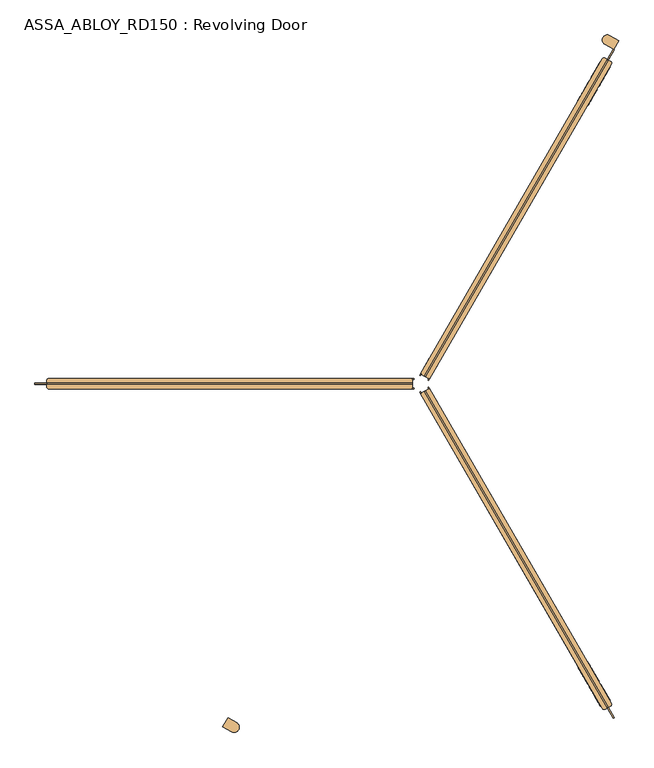
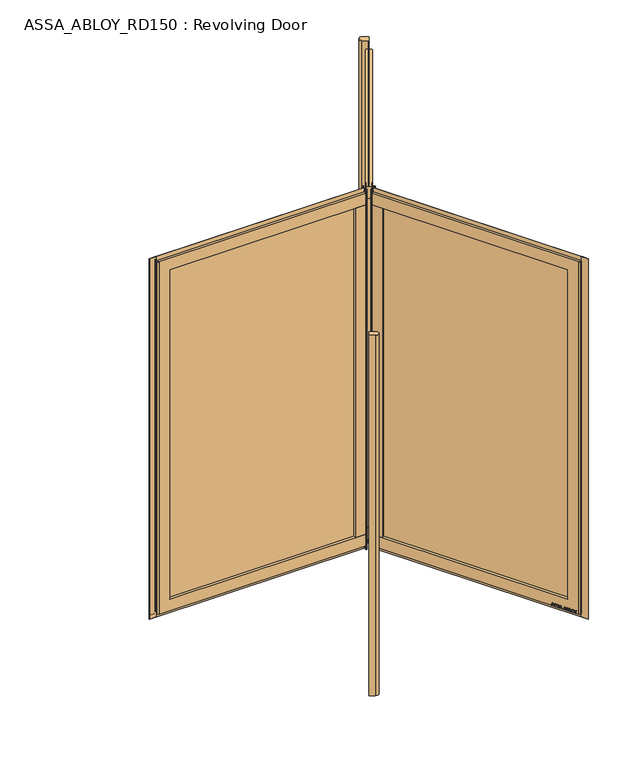
"""IFC4 building model written with IfcOpenShell, lengths in millimetres: door geometry, ASSA_ABLOY_RD150 : Revolving Door."""

from ifc_helpers import new_model, si_unit, point, frame, frame_2d, origin, origin_with_axes, origin_2d, place, context, project, spatial, polyline, circle_curve, trimmed, segment, composite_curve, outline, extrude, source, transform, mapped, element, save
from ifc_brep_helpers import plane_surface, cylinder_surface, advanced_brep


def assa_abloy_rd150_revolving_door_e0ed7804(model_context):
    return source(origin(), model_context, "Body", "SolidModel", [
        extrude(outline(composite_curve([segment(trimmed(circle_curve(origin_2d(), 1500.0), [point((-750.0, -1299.0381057))], [point((-715.0922698, -1318.5761433))], True, "CARTESIAN"), True, "CONTINUOUS"), segment(trimmed(circle_curve(frame_2d((-725.5459259, -1335.642735)), 20.0136823), [point((-715.0922698, -1318.5761433))], [point((-735.0991998, -1353.2291626))], False, "CARTESIAN"), True, "CONTINUOUS"), segment(trimmed(circle_curve(origin_2d(), 1540.0), [point((-735.0991998, -1353.2291626))], [point((-770.0, -1333.6791218))], False, "CARTESIAN"), True, "CONTINUOUS"), segment(polyline([(-770.0, -1333.6791218), (-750.0, -1299.0381057)]), True, "CONTINUOUS")], self_intersect=False)), origin_with_axes(), (0.0, 0.0, 1.0), 2600.0),
        extrude(outline(composite_curve([segment(trimmed(circle_curve(origin_2d(), 1500.0), [point((750.0, 1299.0381057))], [point((715.0922698, 1318.5761433))], True, "CARTESIAN"), True, "CONTINUOUS"), segment(trimmed(circle_curve(frame_2d((725.5459259, 1335.642735)), 20.0136823), [point((715.0922698, 1318.5761433))], [point((735.0991998, 1353.2291626))], False, "CARTESIAN"), True, "CONTINUOUS"), segment(trimmed(circle_curve(origin_2d(), 1540.0), [point((735.0991998, 1353.2291626))], [point((770.0, 1333.6791218))], False, "CARTESIAN"), True, "CONTINUOUS"), segment(polyline([(770.0, 1333.6791218), (750.0, 1299.0381057)]), True, "CONTINUOUS")], self_intersect=False)), origin_with_axes(), (0.0, 0.0, 1.0), 2600.0),
        advanced_brep(
        [(-0.8205081, -38.5788383, 28.0), (33.8205081, -18.5788383, 28.0), (740.3205081, -1242.2727339, 28.0), (737.3923048, -1253.2009371, 28.0), (716.6076952, -1265.2009371, 28.0), (705.6794919, -1262.2727339, 28.0), (-0.8205081, -38.5788383, 110.0), (668.6794919, -1198.186854, 110.0), (703.3205081, -1178.186854, 110.0), (33.8205081, -18.5788383, 110.0), (33.8205081, -18.5788383, 2489.0), (-0.8205081, -38.5788383, 2489.0), (-0.8205081, -38.5788383, 2571.0), (33.8205081, -18.5788383, 2571.0), (703.3205081, -1178.186854, 2489.0), (668.6794919, -1198.186854, 2489.0), (737.3923048, -1253.2009371, 2571.0), (716.6076952, -1265.2009371, 2571.0), (705.6794919, -1262.2727339, 2571.0), (740.3205081, -1242.2727339, 2571.0)],
        [
            (0, 1),
            (1, 2),
            (2, 3, circle_curve(frame((733.3923048, -1246.2727339, 28.0), z_axis=(0.0, 0.0, -1.0), x_axis=(-0.8660254037844367, -0.5000000000000033, 0.0)), 8.0)),
            (3, 4),
            (4, 5, circle_curve(frame((712.6076952, -1258.2727339, 28.0), z_axis=(0.0, 0.0, -1.0), x_axis=(-0.8660254037844367, -0.5000000000000033, 0.0)), 8.0)),
            (5, 0),
            (6, 7),
            (7, 8),
            (8, 9),
            (9, 6),
            (10, 11),
            (11, 12),
            (12, 13),
            (13, 10),
            (10, 14),
            (14, 15),
            (15, 11),
            (7, 15),
            (14, 8),
            (16, 17),
            (17, 4),
            (3, 16),
            (17, 18, circle_curve(frame((712.6076952, -1258.2727339, 2571.0), z_axis=(0.0, 0.0, -1.0), x_axis=(-0.8660254037844367, -0.5000000000000033, 0.0)), 8.0)),
            (18, 5),
            (19, 16, circle_curve(frame((733.3923048, -1246.2727339, 2571.0), z_axis=(0.0, 0.0, -1.0), x_axis=(-0.8660254037844367, -0.5000000000000033, 0.0)), 8.0)),
            (2, 19),
            (6, 0),
            (18, 12),
            (1, 9),
            (13, 19),
        ],
        [
            plane_surface(frame((668.6794919, -1198.186854, 28.0), z_axis=(0.0, 0.0, -1.0), x_axis=(-0.5000000000000033, 0.8660254037844367, 0.0))),
            plane_surface(frame((703.3205081, -1178.186854, 110.0), z_axis=(0.0, 0.0, 1.0), x_axis=(-0.5000000000000033, 0.8660254037844367, 0.0))),
            plane_surface(frame((16.5, -28.5788383, 2571.0), z_axis=(-0.5000000000000033, 0.8660254037844367, 0.0), x_axis=(-0.8660254037844367, -0.5000000000000033, 0.0))),
            plane_surface(frame((33.8205081, -18.5788383, 2489.0), z_axis=(0.0, 0.0, -1.0), x_axis=(0.5000000000000033, -0.8660254037844367, 0.0))),
            plane_surface(frame((703.3205081, -1178.186854, 2571.0), z_axis=(-0.5000000000000033, 0.8660254037844367, 0.0), x_axis=(0.0, 0.0, -1.0))),
            plane_surface(frame((716.6076952, -1265.2009371, 2571.0), z_axis=(0.5000000000000033, -0.8660254037844367, 0.0), x_axis=(0.0, 0.0, -1.0))),
            cylinder_surface(frame((712.6076952, -1258.2727339, 2571.0), z_axis=(0.0, 0.0, 1.0), x_axis=(-0.8660254037844367, -0.5000000000000033, 0.0)), 8.0),
            cylinder_surface(frame((733.3923048, -1246.2727339, 2571.0), z_axis=(0.0, 0.0, 1.0), x_axis=(-0.8660254037844367, -0.5000000000000033, 0.0)), 8.0),
            plane_surface(frame((668.6794919, -1198.186854, 110.0), z_axis=(-0.8660254037844367, -0.5000000000000033, 0.0), x_axis=(-0.5000000000000033, 0.8660254037844367, 0.0))),
            plane_surface(frame((703.3205081, -1178.186854, 28.0), z_axis=(0.8660254037844367, 0.5000000000000033, 0.0), x_axis=(-0.5000000000000033, 0.8660254037844367, 0.0))),
            plane_surface(frame((16.5, -28.5788383, 28.0), z_axis=(-0.5000000000000033, 0.8660254037844367, 0.0), x_axis=(-0.8660254037844367, -0.5000000000000033, 0.0))),
            plane_surface(frame((727.0, -1259.2009371, 2571.0), z_axis=(0.0, 0.0, 1.0), x_axis=(-0.8660254037844367, -0.5000000000000033, 0.0))),
        ],
        [
            (0, [[1, 2, 3, 4, 5, 6]]),
            (1, [[7, 8, 9, 10]]),
            (2, [[11, 12, 13, 14]]),
            (3, [[-11, 15, 16, 17]]),
            (4, [[-8, 18, -16, 19]]),
            (5, [[20, 21, -4, 22]]),
            (6, [[23, 24, -5, -21]]),
            (7, [[25, -22, -3, 26]]),
            (8, [[-7, 27, -6, -24, 28, -12, -17, -18]]),
            (9, [[29, -9, -19, -15, -14, 30, -26, -2]]),
            (10, [[-27, -10, -29, -1]]),
            (11, [[-28, -23, -20, -25, -30, -13]]),
        ],
    ),
        extrude(outline(polyline([(31.2224319, -20.0788383), (27.7224319, -14.0166605), (30.3205081, -12.5166605), (33.8205081, -18.5788383), (31.2224319, -20.0788383)])), origin_with_axes(), (0.0, 0.0, 1.0), 2600.0),
        extrude(outline(polyline([(68.8205081, -79.2006166), (34.1794919, -99.2006166), (-0.8205081, -38.5788383), (33.8205081, -18.5788383), (68.8205081, -79.2006166)])), frame((0.0, 0.0, 110.0), z_axis=(0.0, 0.0, 1.0), x_axis=(1.0, 0.0, 0.0)), (0.0, 0.0, 1.0), 2379.0),
        extrude(outline(polyline([(748.4844586, -1299.9131039), (725.4844586, -1260.0759354), (728.5155414, -1258.3259389), (751.5155414, -1298.1631074), (748.4844586, -1299.9131039)])), origin_with_axes(), (0.0, 0.0, 1.0), 2600.0),
        extrude(outline(polyline([(748.4844586, -1299.9131039), (14.9844586, -29.4538366), (18.0155414, -27.7038401), (751.5155414, -1298.1631074), (748.4844586, -1299.9131039)])), frame((0.0, 0.0, 2570.0), z_axis=(0.0, 0.0, 1.0), x_axis=(1.0, 0.0, 0.0)), (0.0, 0.0, 1.0), 30.0),
        extrude(outline(polyline([(-1.7224319, -31.0166605), (1.7775681, -37.0788383), (-0.8205081, -38.5788383), (-4.3205081, -32.5166605), (-1.7224319, -31.0166605)])), origin_with_axes(), (0.0, 0.0, 1.0), 2600.0),
        extrude(outline(polyline([(684.4844586, -1189.0618522), (49.9844586, -90.0756148), (53.0155414, -88.3256183), (687.5155414, -1187.3118557), (684.4844586, -1189.0618522)])), frame((0.0, 0.0, 110.0), z_axis=(0.0, 0.0, 1.0), x_axis=(1.0, 0.0, 0.0)), (0.0, 0.0, 1.0), 2379.0),
        extrude(outline(polyline([(748.4844586, -1299.9131039), (14.9844586, -29.4538366), (18.0155414, -27.7038401), (751.5155414, -1298.1631074), (748.4844586, -1299.9131039)])), frame((0.0, 0.0, -2.0), z_axis=(0.0, 0.0, 1.0), x_axis=(1.0, 0.0, 0.0)), (0.0, 0.0, 1.0), 30.0),
        extrude(outline(polyline([(21.1919363, 1e-07), (20.214336, -2.6529929), (14.2348715, -2.5853724), (11.2716326, -10.6269535), (15.8652682, -14.4554101), (14.8894584, -17.1035441), (-1.2354289, -3.3526833), (0.0, 0.0), (21.1919363, 1e-07)]), holes=[polyline([(11.7626281, -2.5849674), (1.6611384, -2.5160752), (9.3848751, -9.0376681), (11.7626281, -2.5849674)])]), frame((728.7045871, -1222.1533686, 47.8848654), z_axis=(0.8660254037844431, 0.499999999999992, 0.0), x_axis=(-0.17288098849125136, 0.299438655729584, -0.9383222555567717)), (0.0, 0.0, 1.0), 2.0),
        extrude(outline(polyline([(3.5121291, 0.0), (5.4926863, -1.2764387), (6.787432, -3.3659463), (7.2092232, -6.1919011), (6.5093631, -9.6341389), (4.8247981, -13.2083905), (2.5145629, -16.157079), (-0.6567352, -15.0446471), (2.4447823, -12.1320668), (4.3562346, -8.76362), (4.8029446, -4.752408), (2.9863484, -2.6252693), (0.9295188, -2.6144293), (-0.6628891, -4.2207408), (-1.8238571, -6.2006452), (-3.0893834, -8.4786223), (-6.2388815, -11.6844271), (-9.9996043, -11.7673438), (-13.1300796, -8.3561656), (-12.7977466, -2.5981571), (-11.0920114, 1.0208017), (-9.0699595, 3.711135), (-6.0403681, 2.6484111), (-8.71119, 0.0484617), (-10.6514742, -3.4882217), (-11.0208469, -7.16163), (-9.3614355, -9.1814982), (-7.3063201, -9.1972245), (-5.5118807, -7.3434952), (-4.250422, -5.1162244), (-2.8187321, -2.6852579), (0.0, 0.0), (3.5121291, 0.0)])), frame((716.8396918, -1201.6027671, 36.999973), z_axis=(0.8660254037844434, 0.49999999999999223, 0.0), x_axis=(-0.1655035508100835, 0.2866605588361279, -0.9436282629706536)), (0.0, 0.0, 1.0), 2.0),
        extrude(outline(polyline([(3.5121291, 0.0), (5.4926863, -1.2764387), (6.787432, -3.3659463), (7.2092232, -6.1919011), (6.5093631, -9.6341389), (4.8247981, -13.2083905), (2.5145629, -16.157079), (-0.6567352, -15.0446471), (2.4447823, -12.1320668), (4.3562346, -8.76362), (4.8029446, -4.752408), (2.9863484, -2.6252693), (0.9295188, -2.6144294), (-0.6628891, -4.2207408), (-1.8238571, -6.2006452), (-3.0893834, -8.4786223), (-6.2388815, -11.6844271), (-9.9996043, -11.7673438), (-13.1300796, -8.3561656), (-12.7977466, -2.5981572), (-11.0920114, 1.0208017), (-9.0699595, 3.711135), (-6.0403681, 2.6484111), (-8.71119, 0.0484617), (-10.6514742, -3.4882218), (-11.0208469, -7.16163), (-9.3614355, -9.1814982), (-7.3063201, -9.1972245), (-5.5118808, -7.3434952), (-4.250422, -5.1162244), (-2.8187321, -2.6852579), (0.0, 0.0), (3.5121291, 0.0)])), frame((707.3943807, -1185.2430084, 36.999973), z_axis=(0.8660254037844434, 0.49999999999999223, 0.0), x_axis=(-0.1655035508100835, 0.2866605588361279, -0.9436282629706536)), (0.0, 0.0, 1.0), 2.0),
        extrude(outline(polyline([(21.1919363, 1e-07), (20.214336, -2.6529929), (14.2348715, -2.5853724), (11.2716326, -10.6269535), (15.8652682, -14.4554101), (14.8894584, -17.1035441), (-1.2354289, -3.3526833), (0.0, 0.0), (21.1919363, 1e-07)]), holes=[polyline([(11.7626281, -2.5849675), (1.6611384, -2.5160752), (9.3848751, -9.0376681), (11.7626281, -2.5849675)])]), frame((700.3686538, -1173.0740925, 47.8848654), z_axis=(0.8660254037844431, 0.499999999999992, 0.0), x_axis=(-0.17288098849125136, 0.299438655729584, -0.9383222555567717)), (0.0, 0.0, 1.0), 2.0),
        extrude(outline(polyline([(21.1919363, 1e-07), (20.214336, -2.6529928), (14.2348715, -2.5853723), (11.2716326, -10.6269535), (15.8652682, -14.4554101), (14.8894584, -17.1035441), (-1.2354289, -3.3526833), (0.0, 0.0), (21.1919363, 1e-07)]), holes=[polyline([(11.7626281, -2.5849675), (1.6611384, -2.5160752), (9.3848751, -9.0376681), (11.7626281, -2.5849675)])]), frame((686.1178336, -1148.3909478, 47.8848654), z_axis=(0.8660254037844431, 0.499999999999992, 0.0), x_axis=(-0.17288098849125136, 0.299438655729584, -0.9383222555567717)), (0.0, 0.0, 1.0), 2.0),
        extrude(outline(polyline([(3.6247797, -1e-07), (5.9232413, -1.3859292), (7.204982, -3.4426963), (7.5842828, -6.2202288), (6.8194358, -9.6251298), (4.5055294, -16.4081519), (-14.3144162, -9.9880648), (-12.3716711, -4.2930708), (-11.1479956, -1.1951535), (-9.8352433, 0.5920774), (-7.9241126, 1.6554024), (-5.7320771, 1.441087), (-3.7068839, -0.0321766), (-2.8147562, -2.4211002), (0.0, 0.0), (3.6247797, -1e-07)]), holes=[polyline([(-5.2214253, -2.9241787), (-9.3653605, -2.9303688), (-10.1960736, -5.1008933), (-11.2627443, -8.2277489), (-5.9304264, -10.0467736), (-4.7734732, -6.6552625), (-5.2214253, -2.9241787)]), polyline([(2.8765907, -2.5461078), (0.9746905, -2.291247), (-0.5832315, -3.1932876), (-1.5099769, -4.5787397), (-2.347091, -6.7279309), (-3.7347661, -10.7957837), (3.1658807, -13.1498157), (4.336209, -9.7190964), (5.1175974, -6.8751818), (5.1102534, -4.8838351), (4.3679308, -3.4351118), (2.8765907, -2.5461078)])]), frame((673.9254076, -1127.2730465, 37.561824), z_axis=(0.8660254037844433, 0.4999999999999922, 0.0), x_axis=(-0.1614314953418267, 0.27960755187386827, -0.9464457138403681)), (0.0, 0.0, 1.0), 2.0),
        extrude(outline(polyline([(2.319901, 0.0), (2.319901, -12.5937481), (-17.5649644, -12.5937481), (-17.5649644, -9.9424327), (0.0, -9.9424327), (0.0, 0.0), (2.319901, 0.0)])), frame((665.2206006, -1112.1958786, 30.319901), z_axis=(0.8660254037844433, 0.49999999999999206, 0.0), x_axis=(0.0, 0.0, -1.0)), (0.0, 0.0, 1.0), 2.0),
        extrude(outline(polyline([(3.4755122, 0.0), (6.8343334, -1.6217536), (9.8417791, -4.8358203), (11.7934802, -8.7947164), (12.1283676, -12.475947), (10.9175762, -15.7640054), (8.2007387, -18.4707048), (4.7147757, -20.0502836), (1.2097864, -20.048671), (-2.1257686, -18.4422905), (-5.1361655, -15.2239686), (-7.0812776, -11.3109182), (-7.4345587, -7.5668216), (-6.1998493, -4.2905332), (-3.5095376, -1.5864763), (0.0, 0.0), (3.4755122, 0.0)]), holes=[polyline([(7.663169, -6.3468237), (2.8864763, -2.494471), (-2.1788995, -3.4868579), (-4.8960978, -7.8921765), (-2.9575554, -13.7129652), (1.8513939, -17.5618518), (6.8871209, -16.5585186), (9.5892894, -12.1951337), (7.663169, -6.3468237)])]), frame((657.9437238, -1099.5919581, 47.5197917), z_axis=(0.8660254037844433, 0.49999999999999206, 0.0), x_axis=(-0.41085457557085175, 0.7116209994108772, -0.5699070721880538)), (0.0, 0.0, 1.0), 2.0),
        extrude(outline(polyline([(3.1691504, 0.0), (-4.121967, -11.1645234), (-4.121967, -19.8848654), (-6.7732823, -19.8848654), (-6.7732823, -11.4441543), (-14.0643997, 0.0), (-10.921141, 0.0), (-5.4320895, -8.8964059), (0.0, 0.0), (3.1691504, 0.0)])), frame((647.417432, -1081.359886, 47.8848654), z_axis=(0.8660254037844433, 0.49999999999999206, 0.0), x_axis=(-0.49999999999999206, 0.8660254037844433, 0.0)), (0.0, 0.0, 1.0), 2.0),
        extrude(outline(polyline([(-21.1919362, 0.0), (0.0, 0.0), (1.2354289, -3.3526833), (-14.8894584, -17.1035442), (-15.8652682, -14.4554101), (-11.2716326, -10.6269535), (-14.2348715, -2.5853724), (-20.214336, -2.6529929), (-21.1919362, 0.0)]), holes=[polyline([(-11.7626281, -2.5849675), (-9.3848751, -9.0376682), (-1.6611384, -2.5160752), (-11.7626281, -2.5849675)])]), frame((615.2414181, -1109.629395, 47.8848654), z_axis=(0.86602540378444, 0.49999999999999767, 0.0), x_axis=(-0.17288098849125333, 0.299438655729583, 0.9383222555567716)), (0.0, 0.0, 1.0), 2.0),
        extrude(outline(polyline([(-3.5121291, 0.0), (0.0, 0.0), (2.8187321, -2.6852579), (4.250422, -5.1162245), (5.5118808, -7.3434952), (7.3063201, -9.1972246), (9.3614355, -9.1814983), (11.0208469, -7.1616301), (10.6514742, -3.4882218), (8.71119, 0.0484616), (6.0403681, 2.6484111), (9.0699595, 3.711135), (11.0920114, 1.0208016), (12.7977466, -2.5981572), (13.1300796, -8.3561656), (9.9996043, -11.7673439), (6.2388816, -11.6844271), (3.0893834, -8.4786223), (1.8238571, -6.2006453), (0.6628891, -4.2207409), (-0.9295188, -2.6144294), (-2.9863484, -2.6252693), (-4.8029446, -4.7524082), (-4.3562345, -8.7636201), (-2.4447822, -12.1320668), (0.6567353, -15.0446472), (-2.5145629, -16.1570791), (-4.824798, -13.2083907), (-6.5093631, -9.6341389), (-7.2092232, -6.1919012), (-6.787432, -3.3659463), (-5.4926863, -1.2764387), (-3.5121291, 0.0)])), frame((627.1063134, -1130.1799965, 36.999973), z_axis=(0.86602540378444, 0.4999999999999977, 0.0), x_axis=(-0.16550355081008533, 0.28666055883612684, 0.9436282629706536)), (0.0, 0.0, 1.0), 2.0),
        extrude(outline(polyline([(-3.5121291, 0.0), (0.0, 0.0), (2.8187321, -2.6852579), (4.250422, -5.1162245), (5.5118808, -7.3434952), (7.3063201, -9.1972246), (9.3614355, -9.1814983), (11.0208469, -7.1616301), (10.6514742, -3.4882218), (8.71119, 0.0484616), (6.0403681, 2.6484111), (9.0699595, 3.711135), (11.0920114, 1.0208016), (12.7977466, -2.5981572), (13.1300796, -8.3561656), (9.9996043, -11.7673439), (6.2388816, -11.6844271), (3.0893834, -8.4786223), (1.8238571, -6.2006453), (0.6628891, -4.2207409), (-0.9295188, -2.6144294), (-2.9863484, -2.6252693), (-4.8029446, -4.7524082), (-4.3562345, -8.7636201), (-2.4447822, -12.1320668), (0.6567353, -15.0446472), (-2.5145629, -16.1570791), (-4.824798, -13.2083907), (-6.5093631, -9.6341389), (-7.2092232, -6.1919012), (-6.787432, -3.3659463), (-5.4926863, -1.2764387), (-3.5121291, 0.0)])), frame((636.5516245, -1146.5397552, 36.999973), z_axis=(0.86602540378444, 0.4999999999999977, 0.0), x_axis=(-0.16550355081008533, 0.28666055883612684, 0.9436282629706536)), (0.0, 0.0, 1.0), 2.0),
        extrude(outline(polyline([(-21.1919362, 0.0), (0.0, 0.0), (1.2354289, -3.3526833), (-14.8894584, -17.1035441), (-15.8652682, -14.4554101), (-11.2716326, -10.6269535), (-14.2348715, -2.5853723), (-20.214336, -2.6529929), (-21.1919362, 0.0)]), holes=[polyline([(-11.7626281, -2.5849674), (-9.3848751, -9.0376682), (-1.6611384, -2.5160752), (-11.7626281, -2.5849674)])]), frame((643.5773513, -1158.7086711, 47.8848654), z_axis=(0.86602540378444, 0.49999999999999767, 0.0), x_axis=(-0.17288098849125333, 0.299438655729583, 0.9383222555567716)), (0.0, 0.0, 1.0), 2.0),
        extrude(outline(polyline([(-21.1919362, 0.0), (0.0, 0.0), (1.2354289, -3.3526833), (-14.8894584, -17.1035442), (-15.8652682, -14.4554101), (-11.2716326, -10.6269535), (-14.2348715, -2.5853724), (-20.214336, -2.6529929), (-21.1919362, 0.0)]), holes=[polyline([(-11.7626281, -2.5849675), (-9.3848751, -9.0376682), (-1.6611384, -2.5160752), (-11.7626281, -2.5849675)])]), frame((657.8281716, -1183.3918158, 47.8848654), z_axis=(0.86602540378444, 0.49999999999999767, 0.0), x_axis=(-0.17288098849125333, 0.299438655729583, 0.9383222555567716)), (0.0, 0.0, 1.0), 2.0),
        extrude(outline(polyline([(-3.6247797, 0.0), (0.0, 0.0), (2.8147562, -2.4211001), (3.7068838, -0.0321766), (5.7320771, 1.441087), (7.9241126, 1.6554025), (9.8352432, 0.5920774), (11.1479955, -1.1951534), (12.3716711, -4.2930708), (14.3144162, -9.9880647), (-4.5055294, -16.4081518), (-6.8194358, -9.6251297), (-7.5842828, -6.2202288), (-7.2049821, -3.4426962), (-5.9232413, -1.3859291), (-3.6247797, 0.0)]), holes=[polyline([(5.2214252, -2.9241786), (4.7734732, -6.6552624), (5.9304264, -10.0467734), (11.2627443, -8.2277488), (10.1960736, -5.1008933), (9.3653605, -2.9303687), (5.2214252, -2.9241786)]), polyline([(-2.8765907, -2.5461078), (-4.3679308, -3.4351116), (-5.1102534, -4.8838351), (-5.1175975, -6.8751817), (-4.3362091, -9.7190963), (-3.1658807, -13.1498156), (3.734766, -10.7957836), (2.3470909, -6.7279308), (1.5099769, -4.5787396), (0.5832315, -3.1932875), (-0.9746905, -2.291247), (-2.8765907, -2.5461078)])]), frame((670.0205975, -1204.509717, 37.561824), z_axis=(0.8660254037844402, 0.4999999999999977, 0.0), x_axis=(-0.1614314953418285, 0.2796075518738672, 0.9464457138403681)), (0.0, 0.0, 1.0), 2.0),
        extrude(outline(polyline([(-2.319901, 0.0), (0.0, 0.0), (0.0, -9.9424327), (17.5649644, -9.9424327), (17.5649644, -12.5937481), (-2.319901, -12.5937481), (-2.319901, 0.0)])), frame((678.7254045, -1219.586885, 30.319901), z_axis=(0.86602540378444, 0.49999999999999767, 0.0), x_axis=(0.0, 0.0, 1.0)), (0.0, 0.0, 1.0), 2.0),
        extrude(outline(polyline([(-3.4755122, 0.0), (0.0, 0.0), (3.5095377, -1.5864764), (6.1998493, -4.2905332), (7.4345588, -7.5668217), (7.0812776, -11.3109182), (5.1361655, -15.2239686), (2.1257687, -18.4422905), (-1.2097864, -20.048671), (-4.7147757, -20.0502836), (-8.2007386, -18.4707048), (-10.9175762, -15.7640054), (-12.1283676, -12.475947), (-11.7934802, -8.7947164), (-9.841779, -4.8358204), (-6.8343333, -1.6217536), (-3.4755122, 0.0)]), holes=[polyline([(-7.6631689, -6.3468237), (-9.5892893, -12.1951337), (-6.8871209, -16.5585186), (-1.8513938, -17.5618518), (2.9575555, -13.7129653), (4.8960978, -7.8921765), (2.1788995, -3.4868579), (-2.8864762, -2.4944711), (-7.6631689, -6.3468237)])]), frame((686.0022814, -1232.1908055, 47.5197917), z_axis=(0.8660254037844402, 0.49999999999999767, 0.0), x_axis=(-0.41085457557085897, 0.7116209994108791, 0.5699070721880464)), (0.0, 0.0, 1.0), 2.0),
        extrude(outline(polyline([(-3.1691504, 0.0), (0.0, 0.0), (5.4320896, -8.8964059), (10.921141, 0.0), (14.0643996, 0.0), (6.7732823, -11.4441543), (6.7732823, -19.8848654), (4.1219669, -19.8848654), (4.1219669, -11.1645234), (-3.1691504, 0.0)])), frame((696.5285731, -1250.4228776, 47.8848654), z_axis=(0.86602540378444, 0.49999999999999767, 0.0), x_axis=(-0.49999999999999767, 0.86602540378444, 0.0)), (0.0, 0.0, 1.0), 2.0),
        advanced_brep(
        [(33.8205081, 18.5788383, 28.0), (-0.8205081, 38.5788383, 28.0), (705.6794919, 1262.2727339, 28.0), (716.6076952, 1265.2009371, 28.0), (737.3923048, 1253.2009371, 28.0), (740.3205081, 1242.2727339, 28.0), (33.8205081, 18.5788383, 110.0), (703.3205081, 1178.186854, 110.0), (668.6794919, 1198.186854, 110.0), (-0.8205081, 38.5788383, 110.0), (-0.8205081, 38.5788383, 2489.0), (33.8205081, 18.5788383, 2489.0), (33.8205081, 18.5788383, 2571.0), (-0.8205081, 38.5788383, 2571.0), (668.6794919, 1198.186854, 2489.0), (703.3205081, 1178.186854, 2489.0), (716.6076952, 1265.2009371, 2571.0), (737.3923048, 1253.2009371, 2571.0), (740.3205081, 1242.2727339, 2571.0), (705.6794919, 1262.2727339, 2571.0)],
        [
            (0, 1),
            (1, 2),
            (2, 3, circle_curve(frame((712.6076952, 1258.2727339, 28.0), z_axis=(0.0, 0.0, -1.0), x_axis=(0.8660254037844427, -0.4999999999999929, 0.0)), 8.0)),
            (3, 4),
            (4, 5, circle_curve(frame((733.3923048, 1246.2727339, 28.0), z_axis=(0.0, 0.0, -1.0), x_axis=(0.8660254037844427, -0.4999999999999929, 0.0)), 8.0)),
            (5, 0),
            (6, 7),
            (7, 8),
            (8, 9),
            (9, 6),
            (10, 11),
            (11, 12),
            (12, 13),
            (13, 10),
            (10, 14),
            (14, 15),
            (15, 11),
            (7, 15),
            (14, 8),
            (16, 17),
            (17, 4),
            (3, 16),
            (17, 18, circle_curve(frame((733.3923048, 1246.2727339, 2571.0), z_axis=(0.0, 0.0, -1.0), x_axis=(0.8660254037844427, -0.4999999999999929, 0.0)), 8.0)),
            (18, 5),
            (19, 16, circle_curve(frame((712.6076952, 1258.2727339, 2571.0), z_axis=(0.0, 0.0, -1.0), x_axis=(0.8660254037844427, -0.4999999999999929, 0.0)), 8.0)),
            (2, 19),
            (6, 0),
            (18, 12),
            (1, 9),
            (13, 19),
        ],
        [
            plane_surface(frame((703.3205081, 1178.186854, 28.0), z_axis=(0.0, 0.0, -1.0000000000000002), x_axis=(-0.49999999999999295, -0.8660254037844428, 0.0))),
            plane_surface(frame((668.6794919, 1198.186854, 110.0), z_axis=(0.0, 0.0, 1.0000000000000002), x_axis=(-0.49999999999999295, -0.8660254037844428, 0.0))),
            plane_surface(frame((16.5, 28.5788383, 2571.0), z_axis=(-0.49999999999999295, -0.8660254037844428, 0.0), x_axis=(0.8660254037844428, -0.49999999999999295, 0.0))),
            plane_surface(frame((-0.8205081, 38.5788383, 2489.0), z_axis=(0.0, 0.0, -1.0000000000000002), x_axis=(0.49999999999999295, 0.8660254037844428, 0.0))),
            plane_surface(frame((668.6794919, 1198.186854, 2571.0), z_axis=(-0.49999999999999295, -0.8660254037844428, 0.0), x_axis=(0.0, 0.0, -1.0))),
            plane_surface(frame((737.3923048, 1253.2009371, 2571.0), z_axis=(0.49999999999999295, 0.8660254037844428, 0.0), x_axis=(0.0, 0.0, -1.0))),
            cylinder_surface(frame((733.3923048, 1246.2727339, 2571.0), z_axis=(0.0, 0.0, 1.0), x_axis=(0.8660254037844427, -0.4999999999999929, 0.0)), 8.0),
            cylinder_surface(frame((712.6076952, 1258.2727339, 2571.0), z_axis=(0.0, 0.0, 1.0), x_axis=(0.8660254037844427, -0.4999999999999929, 0.0)), 8.0),
            plane_surface(frame((703.3205081, 1178.186854, 110.0), z_axis=(0.8660254037844428, -0.49999999999999295, 0.0), x_axis=(-0.49999999999999295, -0.8660254037844428, 0.0))),
            plane_surface(frame((668.6794919, 1198.186854, 28.0), z_axis=(-0.8660254037844428, 0.49999999999999295, 0.0), x_axis=(-0.49999999999999295, -0.8660254037844428, 0.0))),
            plane_surface(frame((16.5, 28.5788383, 28.0), z_axis=(-0.49999999999999295, -0.8660254037844428, 0.0), x_axis=(0.8660254037844428, -0.49999999999999295, 0.0))),
            plane_surface(frame((727.0, 1259.2009371, 2571.0), z_axis=(0.0, 0.0, 1.0000000000000002), x_axis=(0.8660254037844428, -0.49999999999999295, 0.0))),
        ],
        [
            (0, [[1, 2, 3, 4, 5, 6]]),
            (1, [[7, 8, 9, 10]]),
            (2, [[11, 12, 13, 14]]),
            (3, [[-11, 15, 16, 17]]),
            (4, [[-8, 18, -16, 19]]),
            (5, [[20, 21, -4, 22]]),
            (6, [[23, 24, -5, -21]]),
            (7, [[25, -22, -3, 26]]),
            (8, [[-7, 27, -6, -24, 28, -12, -17, -18]]),
            (9, [[29, -9, -19, -15, -14, 30, -26, -2]]),
            (10, [[-27, -10, -29, -1]]),
            (11, [[-28, -23, -20, -25, -30, -13]]),
        ],
    ),
        extrude(outline(polyline([(1.7775681, 37.0788383), (-1.7224319, 31.0166605), (-4.3205081, 32.5166605), (-0.8205081, 38.5788383), (1.7775681, 37.0788383)])), origin_with_axes(), (0.0, 0.0, 1.0), 2600.0),
        extrude(outline(polyline([(34.1794919, 99.2006166), (68.8205081, 79.2006166), (33.8205081, 18.5788383), (-0.8205081, 38.5788383), (34.1794919, 99.2006166)])), frame((0.0, 0.0, 110.0), z_axis=(0.0, 0.0, 1.0), x_axis=(1.0, 0.0, 0.0)), (0.0, 0.0, 1.0), 2379.0),
        extrude(outline(polyline([(751.5155414, 1298.1631074), (728.5155414, 1258.3259389), (725.4844586, 1260.0759354), (748.4844586, 1299.9131039), (751.5155414, 1298.1631074)])), origin_with_axes(), (0.0, 0.0, 1.0), 2600.0),
        extrude(outline(polyline([(751.5155414, 1298.1631074), (18.0155414, 27.7038401), (14.9844586, 29.4538366), (748.4844586, 1299.9131039), (751.5155414, 1298.1631074)])), frame((0.0, 0.0, 2570.0), z_axis=(0.0, 0.0, 1.0), x_axis=(1.0, 0.0, 0.0)), (0.0, 0.0, 1.0), 30.0),
        extrude(outline(polyline([(27.7224319, 14.0166605), (31.2224319, 20.0788383), (33.8205081, 18.5788383), (30.3205081, 12.5166605), (27.7224319, 14.0166605)])), origin_with_axes(), (0.0, 0.0, 1.0), 2600.0),
        extrude(outline(polyline([(687.5155414, 1187.3118557), (53.0155414, 88.3256183), (49.9844586, 90.0756148), (684.4844586, 1189.0618522), (687.5155414, 1187.3118557)])), frame((0.0, 0.0, 110.0), z_axis=(0.0, 0.0, 1.0), x_axis=(1.0, 0.0, 0.0)), (0.0, 0.0, 1.0), 2379.0),
        extrude(outline(polyline([(751.5155414, 1298.1631074), (18.0155414, 27.7038401), (14.9844586, 29.4538366), (748.4844586, 1299.9131039), (751.5155414, 1298.1631074)])), frame((0.0, 0.0, -2.0), z_axis=(0.0, 0.0, 1.0), x_axis=(1.0, 0.0, 0.0)), (0.0, 0.0, 1.0), 30.0),
        extrude(outline(polyline([(21.1919363, 1e-07), (20.214336, -2.6529929), (14.2348715, -2.5853724), (11.2716326, -10.6269535), (15.8652682, -14.4554101), (14.8894584, -17.1035441), (-1.2354289, -3.3526833), (0.0, 0.0), (21.1919363, 1e-07)]), holes=[polyline([(11.7626281, -2.5849674), (1.6611384, -2.5160752), (9.3848751, -9.0376682), (11.7626281, -2.5849674)])]), frame((694.0635709, 1242.1533686, 47.8848654), z_axis=(-0.8660254037844363, 0.5000000000000041, 0.0), x_axis=(-0.17288098849125552, -0.2994386557295816, -0.9383222555567717)), (0.0, 0.0, 1.0), 2.0),
        extrude(outline(polyline([(3.5121291, 0.0), (5.4926863, -1.2764387), (6.787432, -3.3659463), (7.2092232, -6.1919012), (6.5093631, -9.6341389), (4.8247981, -13.2083906), (2.5145629, -16.1570791), (-0.6567353, -15.0446472), (2.4447822, -12.1320668), (4.3562346, -8.76362), (4.8029446, -4.7524081), (2.9863484, -2.6252693), (0.9295188, -2.6144294), (-0.6628891, -4.2207408), (-1.8238571, -6.2006452), (-3.0893834, -8.4786223), (-6.2388815, -11.6844271), (-9.9996043, -11.7673439), (-13.1300796, -8.3561656), (-12.7977466, -2.5981572), (-11.0920114, 1.0208016), (-9.0699595, 3.711135), (-6.0403681, 2.6484111), (-8.71119, 0.0484617), (-10.6514742, -3.4882218), (-11.0208469, -7.1616301), (-9.3614355, -9.1814983), (-7.3063201, -9.1972246), (-5.5118808, -7.3434952), (-4.250422, -5.1162245), (-2.8187321, -2.6852579), (0.0, 0.0), (3.5121291, 0.0)])), frame((682.1986756, 1221.6027671, 36.999973), z_axis=(-0.8660254037844363, 0.5000000000000042, 0.0), x_axis=(-0.16550355081008747, -0.2866605588361255, -0.9436282629706536)), (0.0, 0.0, 1.0), 2.0),
        extrude(outline(polyline([(3.5121291, 0.0), (5.4926863, -1.2764387), (6.787432, -3.3659463), (7.2092232, -6.1919011), (6.5093631, -9.6341389), (4.8247981, -13.2083905), (2.5145629, -16.157079), (-0.6567352, -15.0446471), (2.4447823, -12.1320668), (4.3562346, -8.7636199), (4.8029446, -4.752408), (2.9863484, -2.6252692), (0.9295188, -2.6144293), (-0.6628891, -4.2207407), (-1.8238571, -6.2006451), (-3.0893834, -8.4786223), (-6.2388815, -11.684427), (-9.9996043, -11.7673438), (-13.1300796, -8.3561655), (-12.7977466, -2.5981571), (-11.0920114, 1.0208017), (-9.0699595, 3.711135), (-6.040368, 2.6484112), (-8.71119, 0.0484617), (-10.6514742, -3.4882218), (-11.0208469, -7.16163), (-9.3614355, -9.1814982), (-7.3063201, -9.1972245), (-5.5118807, -7.3434952), (-4.250422, -5.1162244), (-2.818732, -2.6852579), (0.0, 0.0), (3.5121291, 0.0)])), frame((672.7533646, 1205.2430084, 36.999973), z_axis=(-0.8660254037844363, 0.5000000000000042, 0.0), x_axis=(-0.16550355081008747, -0.2866605588361255, -0.9436282629706536)), (0.0, 0.0, 1.0), 2.0),
        extrude(outline(polyline([(21.1919363, 1e-07), (20.214336, -2.6529928), (14.2348715, -2.5853723), (11.2716326, -10.6269535), (15.8652682, -14.4554101), (14.8894584, -17.103544), (-1.2354289, -3.3526833), (0.0, 0.0), (21.1919363, 1e-07)]), holes=[polyline([(11.7626281, -2.5849674), (1.6611384, -2.5160752), (9.3848751, -9.0376681), (11.7626281, -2.5849674)])]), frame((665.7276377, 1193.0740925, 47.8848654), z_axis=(-0.8660254037844363, 0.5000000000000041, 0.0), x_axis=(-0.17288098849125552, -0.2994386557295816, -0.9383222555567717)), (0.0, 0.0, 1.0), 2.0),
        extrude(outline(polyline([(21.1919363, 1e-07), (20.214336, -2.6529929), (14.2348715, -2.5853724), (11.2716326, -10.6269535), (15.8652682, -14.4554101), (14.8894584, -17.1035441), (-1.2354289, -3.3526833), (0.0, 0.0), (21.1919363, 1e-07)]), holes=[polyline([(11.7626281, -2.5849674), (1.6611384, -2.5160752), (9.3848751, -9.0376682), (11.7626281, -2.5849674)])]), frame((651.4768174, 1168.3909478, 47.8848654), z_axis=(-0.8660254037844363, 0.5000000000000041, 0.0), x_axis=(-0.17288098849125552, -0.2994386557295816, -0.9383222555567717)), (0.0, 0.0, 1.0), 2.0),
        extrude(outline(polyline([(3.6247797, -1e-07), (5.9232413, -1.3859292), (7.204982, -3.4426963), (7.5842828, -6.2202288), (6.8194358, -9.6251298), (4.5055294, -16.4081518), (-14.3144162, -9.9880647), (-12.3716711, -4.2930708), (-11.1479956, -1.1951535), (-9.8352432, 0.5920774), (-7.9241126, 1.6554025), (-5.7320771, 1.441087), (-3.7068839, -0.0321766), (-2.8147562, -2.4211002), (0.0, 0.0), (3.6247797, -1e-07)]), holes=[polyline([(-5.2214253, -2.9241787), (-9.3653605, -2.9303688), (-10.1960736, -5.1008933), (-11.2627443, -8.2277488), (-5.9304264, -10.0467735), (-4.7734732, -6.6552624), (-5.2214253, -2.9241787)]), polyline([(2.8765907, -2.5461078), (0.9746905, -2.291247), (-0.5832315, -3.1932876), (-1.5099769, -4.5787397), (-2.347091, -6.7279308), (-3.734766, -10.7957837), (3.1658807, -13.1498156), (4.3362091, -9.7190964), (5.1175974, -6.8751818), (5.1102534, -4.8838351), (4.3679308, -3.4351118), (2.8765907, -2.5461078)])]), frame((639.2843915, 1147.2730465, 37.561824), z_axis=(-0.8660254037844363, 0.5000000000000042, 0.0), x_axis=(-0.16143149534183057, -0.279607551873866, -0.9464457138403681)), (0.0, 0.0, 1.0), 2.0),
        extrude(outline(polyline([(2.319901, 0.0), (2.319901, -12.593748), (-17.5649644, -12.593748), (-17.5649644, -9.9424327), (0.0, -9.9424327), (0.0, 0.0), (2.319901, 0.0)])), frame((630.5795845, 1132.1958786, 30.319901), z_axis=(-0.8660254037844363, 0.5000000000000042, 0.0), x_axis=(0.0, 0.0, -1.0)), (0.0, 0.0, 1.0), 2.0),
        extrude(outline(polyline([(3.4755122, 0.0), (6.8343334, -1.6217536), (9.8417791, -4.8358203), (11.7934802, -8.7947164), (12.1283676, -12.475947), (10.9175762, -15.7640054), (8.2007387, -18.4707048), (4.7147757, -20.0502836), (1.2097864, -20.048671), (-2.1257687, -18.4422905), (-5.1361655, -15.2239686), (-7.0812776, -11.3109182), (-7.4345587, -7.5668217), (-6.1998493, -4.2905332), (-3.5095376, -1.5864763), (0.0, 0.0), (3.4755122, 0.0)]), holes=[polyline([(7.6631689, -6.3468237), (2.8864763, -2.494471), (-2.1788995, -3.4868579), (-4.8960978, -7.8921765), (-2.9575554, -13.7129652), (1.8513938, -17.5618518), (6.8871209, -16.5585186), (9.5892893, -12.1951337), (7.6631689, -6.3468237)])]), frame((623.3027076, 1119.5919581, 47.5197917), z_axis=(-0.8660254037844363, 0.5000000000000042, 0.0), x_axis=(-0.41085457557086175, -0.7116209994108714, -0.5699070721880538)), (0.0, 0.0, 1.0), 2.0),
        extrude(outline(polyline([(3.1691504, 0.0), (-4.1219669, -11.1645234), (-4.1219669, -19.8848654), (-6.7732822, -19.8848654), (-6.7732822, -11.4441543), (-14.0643996, 0.0), (-10.921141, 0.0), (-5.4320895, -8.8964059), (0.0, 0.0), (3.1691504, 0.0)])), frame((612.7764159, 1101.359886, 47.8848654), z_axis=(-0.8660254037844363, 0.5000000000000042, 0.0), x_axis=(-0.5000000000000042, -0.8660254037844363, 0.0)), (0.0, 0.0, 1.0), 2.0),
        extrude(outline(polyline([(-21.1919362, 0.0), (0.0, 0.0), (1.2354289, -3.3526833), (-14.8894584, -17.1035441), (-15.8652682, -14.4554101), (-11.2716326, -10.6269535), (-14.2348715, -2.5853723), (-20.214336, -2.6529929), (-21.1919362, 0.0)]), holes=[polyline([(-11.7626281, -2.5849674), (-9.3848751, -9.0376682), (-1.6611384, -2.5160752), (-11.7626281, -2.5849674)])]), frame((653.3465358, 1087.629395, 47.8848654), z_axis=(-0.8660254037844394, 0.49999999999999856, 0.0), x_axis=(-0.17288098849125366, -0.29943865572958284, 0.9383222555567716)), (0.0, 0.0, 1.0), 2.0),
        extrude(outline(polyline([(-3.5121291, 0.0), (0.0, 0.0), (2.8187321, -2.6852579), (4.250422, -5.1162244), (5.5118807, -7.3434952), (7.3063201, -9.1972245), (9.3614355, -9.1814982), (11.0208469, -7.16163), (10.6514742, -3.4882218), (8.71119, 0.0484616), (6.0403681, 2.6484111), (9.0699595, 3.711135), (11.0920114, 1.0208017), (12.7977466, -2.5981571), (13.1300796, -8.3561656), (9.9996043, -11.7673438), (6.2388815, -11.6844271), (3.0893834, -8.4786223), (1.8238571, -6.2006452), (0.6628891, -4.2207408), (-0.9295188, -2.6144293), (-2.9863484, -2.6252692), (-4.8029446, -4.7524081), (-4.3562345, -8.7636201), (-2.4447823, -12.1320668), (0.6567352, -15.0446471), (-2.5145629, -16.157079), (-4.8247981, -13.2083906), (-6.5093631, -9.6341389), (-7.2092232, -6.1919011), (-6.787432, -3.3659463), (-5.4926863, -1.2764387), (-3.5121291, 0.0)])), frame((665.2114311, 1108.1799965, 36.999973), z_axis=(-0.8660254037844394, 0.4999999999999986, 0.0), x_axis=(-0.16550355081008566, -0.2866605588361266, 0.9436282629706537)), (0.0, 0.0, 1.0), 2.0),
        extrude(outline(polyline([(-3.5121291, 0.0), (0.0, 0.0), (2.8187321, -2.6852579), (4.250422, -5.1162244), (5.5118807, -7.3434952), (7.3063201, -9.1972245), (9.3614355, -9.1814982), (11.0208469, -7.16163), (10.6514742, -3.4882218), (8.71119, 0.0484616), (6.0403681, 2.6484111), (9.0699595, 3.711135), (11.0920114, 1.0208017), (12.7977466, -2.5981571), (13.1300796, -8.3561656), (9.9996043, -11.7673438), (6.2388816, -11.6844271), (3.0893834, -8.4786223), (1.8238571, -6.2006452), (0.6628891, -4.2207408), (-0.9295188, -2.6144293), (-2.9863484, -2.6252692), (-4.8029446, -4.7524081), (-4.3562345, -8.7636201), (-2.4447823, -12.1320668), (0.6567352, -15.0446471), (-2.5145629, -16.157079), (-4.8247981, -13.2083906), (-6.5093631, -9.6341389), (-7.2092232, -6.1919011), (-6.787432, -3.3659463), (-5.4926863, -1.2764387), (-3.5121291, 0.0)])), frame((674.6567422, 1124.5397552, 36.999973), z_axis=(-0.8660254037844394, 0.4999999999999986, 0.0), x_axis=(-0.16550355081008566, -0.2866605588361266, 0.9436282629706537)), (0.0, 0.0, 1.0), 2.0),
        extrude(outline(polyline([(-21.1919362, 0.0), (0.0, 0.0), (1.2354289, -3.3526834), (-14.8894584, -17.1035442), (-15.8652682, -14.4554101), (-11.2716326, -10.6269535), (-14.2348715, -2.5853724), (-20.214336, -2.6529929), (-21.1919362, 0.0)]), holes=[polyline([(-11.7626281, -2.5849675), (-9.3848751, -9.0376682), (-1.6611384, -2.5160752), (-11.7626281, -2.5849675)])]), frame((681.6824691, 1136.7086711, 47.8848654), z_axis=(-0.8660254037844394, 0.49999999999999856, 0.0), x_axis=(-0.17288098849125366, -0.29943865572958284, 0.9383222555567716)), (0.0, 0.0, 1.0), 2.0),
        extrude(outline(polyline([(-21.1919362, 0.0), (0.0, 0.0), (1.2354289, -3.3526833), (-14.8894584, -17.1035441), (-15.8652682, -14.4554101), (-11.2716326, -10.6269535), (-14.2348715, -2.5853723), (-20.214336, -2.6529929), (-21.1919362, 0.0)]), holes=[polyline([(-11.7626281, -2.5849674), (-9.3848751, -9.0376682), (-1.6611384, -2.5160752), (-11.7626281, -2.5849674)])]), frame((695.9332893, 1161.3918158, 47.8848654), z_axis=(-0.8660254037844394, 0.49999999999999856, 0.0), x_axis=(-0.17288098849125366, -0.29943865572958284, 0.9383222555567716)), (0.0, 0.0, 1.0), 2.0),
        extrude(outline(polyline([(-3.6247797, 0.0), (0.0, 0.0), (2.8147562, -2.4211002), (3.7068838, -0.0321766), (5.7320771, 1.441087), (7.9241126, 1.6554025), (9.8352433, 0.5920774), (11.1479955, -1.1951534), (12.3716711, -4.2930708), (14.3144162, -9.9880648), (-4.5055294, -16.4081519), (-6.8194358, -9.6251297), (-7.5842828, -6.2202288), (-7.2049821, -3.4426962), (-5.9232413, -1.3859292), (-3.6247797, 0.0)]), holes=[polyline([(5.2214253, -2.9241786), (4.7734732, -6.6552624), (5.9304264, -10.0467735), (11.2627443, -8.2277488), (10.1960736, -5.1008933), (9.3653605, -2.9303687), (5.2214253, -2.9241786)]), polyline([(-2.8765907, -2.5461078), (-4.3679308, -3.4351117), (-5.1102534, -4.8838351), (-5.1175975, -6.8751817), (-4.3362091, -9.7190963), (-3.1658807, -13.1498156), (3.734766, -10.7957837), (2.3470909, -6.7279308), (1.5099769, -4.5787396), (0.5832315, -3.1932875), (-0.9746905, -2.291247), (-2.8765907, -2.5461078)])]), frame((708.1257153, 1182.509717, 37.561824), z_axis=(-0.8660254037844395, 0.49999999999999867, 0.0), x_axis=(-0.16143149534182877, -0.27960755187386704, 0.9464457138403681)), (0.0, 0.0, 1.0), 2.0),
        extrude(outline(polyline([(-2.319901, 0.0), (0.0, 0.0), (0.0, -9.9424327), (17.5649644, -9.9424327), (17.5649644, -12.5937481), (-2.319901, -12.5937481), (-2.319901, 0.0)])), frame((716.8305223, 1197.586885, 30.319901), z_axis=(-0.8660254037844395, 0.4999999999999986, 0.0), x_axis=(0.0, 0.0, 1.0)), (0.0, 0.0, 1.0), 2.0),
        extrude(outline(polyline([(-3.4755122, 0.0), (0.0, 0.0), (3.5095377, -1.5864764), (6.1998493, -4.2905332), (7.4345588, -7.5668217), (7.0812776, -11.3109182), (5.1361656, -15.2239687), (2.1257687, -18.4422905), (-1.2097864, -20.0486711), (-4.7147757, -20.0502836), (-8.2007386, -18.4707048), (-10.9175762, -15.7640054), (-12.1283676, -12.475947), (-11.7934802, -8.7947164), (-9.841779, -4.8358204), (-6.8343333, -1.6217536), (-3.4755122, 0.0)]), holes=[polyline([(-7.6631689, -6.3468237), (-9.5892893, -12.1951337), (-6.8871209, -16.5585186), (-1.8513938, -17.5618518), (2.9575555, -13.7129653), (4.8960978, -7.8921765), (2.1788995, -3.4868579), (-2.8864762, -2.4944711), (-7.6631689, -6.3468237)])]), frame((724.1073992, 1210.1908055, 47.5197917), z_axis=(-0.8660254037844395, 0.49999999999999867, 0.0), x_axis=(-0.41085457557085975, -0.7116209994108786, 0.5699070721880464)), (0.0, 0.0, 1.0), 2.0),
        extrude(outline(polyline([(-3.1691504, 0.0), (0.0, 0.0), (5.4320896, -8.8964059), (10.921141, 0.0), (14.0643996, 0.0), (6.7732824, -11.4441543), (6.7732824, -19.8848654), (4.121967, -19.8848654), (4.121967, -11.1645234), (-3.1691504, 0.0)])), frame((734.6336909, 1228.4228776, 47.8848654), z_axis=(-0.8660254037844395, 0.4999999999999986, 0.0), x_axis=(-0.4999999999999986, -0.8660254037844395, 0.0)), (0.0, 0.0, 1.0), 2.0),
        advanced_brep(
        [(-33.0, 20.0, 28.0), (-33.0, -20.0, 28.0), (-1446.0, -20.0, 28.0), (-1454.0, -12.0, 28.0), (-1454.0, 12.0, 28.0), (-1446.0, 20.0, 28.0), (-33.0, 20.0, 110.0), (-1372.0, 20.0, 110.0), (-1372.0, -20.0, 110.0), (-33.0, -20.0, 110.0), (-33.0, -20.0, 2489.0), (-33.0, 20.0, 2489.0), (-33.0, 20.0, 2571.0), (-33.0, -20.0, 2571.0), (-1372.0, -20.0, 2489.0), (-1372.0, 20.0, 2489.0), (-1454.0, -12.0, 2571.0), (-1454.0, 12.0, 2571.0), (-1446.0, 20.0, 2571.0), (-1446.0, -20.0, 2571.0)],
        [
            (0, 1),
            (1, 2),
            (2, 3, circle_curve(frame((-1446.0, -12.0, 28.0), z_axis=(0.0, 0.0, -1.0), x_axis=(0.0, 1.0, 0.0)), 8.0)),
            (3, 4),
            (4, 5, circle_curve(frame((-1446.0, 12.0, 28.0), z_axis=(0.0, 0.0, -1.0), x_axis=(0.0, 1.0, 0.0)), 8.0)),
            (5, 0),
            (6, 7),
            (7, 8),
            (8, 9),
            (9, 6),
            (10, 11),
            (11, 12),
            (12, 13),
            (13, 10),
            (10, 14),
            (14, 15),
            (15, 11),
            (7, 15),
            (14, 8),
            (16, 17),
            (17, 4),
            (3, 16),
            (17, 18, circle_curve(frame((-1446.0, 12.0, 2571.0), z_axis=(0.0, 0.0, -1.0), x_axis=(0.0, 1.0, 0.0)), 8.0)),
            (18, 5),
            (19, 16, circle_curve(frame((-1446.0, -12.0, 2571.0), z_axis=(0.0, 0.0, -1.0), x_axis=(0.0, 1.0, 0.0)), 8.0)),
            (2, 19),
            (6, 0),
            (18, 12),
            (1, 9),
            (13, 19),
        ],
        [
            plane_surface(frame((-1372.0, 20.0, 28.0), z_axis=(0.0, 0.0, -1.0), x_axis=(1.0, 0.0, 0.0))),
            plane_surface(frame((-1372.0, -20.0, 110.0), z_axis=(0.0, 0.0, 1.0), x_axis=(1.0, 0.0, 0.0))),
            plane_surface(frame((-33.0, 0.0, 2571.0), z_axis=(1.0, 0.0, 0.0), x_axis=(0.0, 1.0, 0.0))),
            plane_surface(frame((-33.0, -20.0, 2489.0), z_axis=(0.0, 0.0, -1.0), x_axis=(-1.0, 0.0, 0.0))),
            plane_surface(frame((-1372.0, -20.0, 2571.0), z_axis=(1.0, 0.0, 0.0), x_axis=(0.0, 0.0, -1.0))),
            plane_surface(frame((-1454.0, 12.0, 2571.0), z_axis=(-1.0, 0.0, 0.0), x_axis=(0.0, 0.0, -1.0))),
            cylinder_surface(frame((-1446.0, 12.0, 2571.0), z_axis=(0.0, 0.0, 1.0), x_axis=(0.0, 1.0, 0.0)), 8.0),
            cylinder_surface(frame((-1446.0, -12.0, 2571.0), z_axis=(0.0, 0.0, 1.0), x_axis=(0.0, 1.0, 0.0)), 8.0),
            plane_surface(frame((-1372.0, 20.0, 110.0), z_axis=(0.0, 1.0, 0.0), x_axis=(1.0, 0.0, 0.0))),
            plane_surface(frame((-1372.0, -20.0, 28.0), z_axis=(0.0, -1.0, 0.0), x_axis=(1.0, 0.0, 0.0))),
            plane_surface(frame((-33.0, 0.0, 28.0), z_axis=(1.0, 0.0, 0.0), x_axis=(0.0, 1.0, 0.0))),
            plane_surface(frame((-1454.0, 0.0, 2571.0), z_axis=(0.0, 0.0, 1.0), x_axis=(0.0, 1.0, 0.0))),
        ],
        [
            (0, [[1, 2, 3, 4, 5, 6]]),
            (1, [[7, 8, 9, 10]]),
            (2, [[11, 12, 13, 14]]),
            (3, [[-11, 15, 16, 17]]),
            (4, [[-8, 18, -16, 19]]),
            (5, [[20, 21, -4, 22]]),
            (6, [[23, 24, -5, -21]]),
            (7, [[25, -22, -3, 26]]),
            (8, [[-7, 27, -6, -24, 28, -12, -17, -18]]),
            (9, [[29, -9, -19, -15, -14, 30, -26, -2]]),
            (10, [[-27, -10, -29, -1]]),
            (11, [[-28, -23, -20, -25, -30, -13]]),
        ],
    ),
        extrude(outline(polyline([(-33.0, -17.0), (-26.0, -17.0), (-26.0, -20.0), (-33.0, -20.0), (-33.0, -17.0)])), origin_with_axes(), (0.0, 0.0, 1.0), 2600.0),
        extrude(outline(polyline([(-103.0, -20.0), (-103.0, 20.0), (-33.0, 20.0), (-33.0, -20.0), (-103.0, -20.0)])), frame((0.0, 0.0, 110.0), z_axis=(0.0, 0.0, 1.0), x_axis=(1.0, 0.0, 0.0)), (0.0, 0.0, 1.0), 2379.0),
        extrude(outline(polyline([(-1500.0, 1.7499965), (-1454.0, 1.7499965), (-1454.0, -1.7499965), (-1500.0, -1.7499965), (-1500.0, 1.7499965)])), origin_with_axes(), (0.0, 0.0, 1.0), 2600.0),
        extrude(outline(polyline([(-1500.0, 1.7499965), (-33.0, 1.7499965), (-33.0, -1.7499965), (-1500.0, -1.7499965), (-1500.0, 1.7499965)])), frame((0.0, 0.0, 2570.0), z_axis=(0.0, 0.0, 1.0), x_axis=(1.0, 0.0, 0.0)), (0.0, 0.0, 1.0), 30.0),
        extrude(outline(polyline([(-26.0, 17.0), (-33.0, 17.0), (-33.0, 20.0), (-26.0, 20.0), (-26.0, 17.0)])), origin_with_axes(), (0.0, 0.0, 1.0), 2600.0),
        extrude(outline(polyline([(-1372.0, 1.7499965), (-103.0, 1.7499965), (-103.0, -1.7499965), (-1372.0, -1.7499965), (-1372.0, 1.7499965)])), frame((0.0, 0.0, 110.0), z_axis=(0.0, 0.0, 1.0), x_axis=(1.0, 0.0, 0.0)), (0.0, 0.0, 1.0), 2379.0),
        extrude(outline(polyline([(-1500.0, 1.7499965), (-33.0, 1.7499965), (-33.0, -1.7499965), (-1500.0, -1.7499965), (-1500.0, 1.7499965)])), frame((0.0, 0.0, -2.0), z_axis=(0.0, 0.0, 1.0), x_axis=(1.0, 0.0, 0.0)), (0.0, 0.0, 1.0), 30.0),
    ])


if __name__ == "__main__":
    model = new_model("IFC4")
    model_context = context("Model", 3, world=origin())
    ifc_project = project(units=[si_unit("LENGTHUNIT", "METRE", prefix="MILLI")], contexts=[model_context])
    site = spatial("IfcSite", under=ifc_project)
    building = spatial("IfcBuilding", under=site)
    placement = place(None, origin())
    assa_abloy_rd150_revolving_door_shape = assa_abloy_rd150_revolving_door_e0ed7804(model_context)
    element("IfcDoor", 1, ObjectType="ASSA_ABLOY_RD150 : Revolving Door", at=placement, inside=building, context=model_context, shape_type="MappedRepresentation", body=[
        mapped(assa_abloy_rd150_revolving_door_shape, transform((0.0, 0.0, 0.0), x_axis=(1.0, 0.0, 0.0), y_axis=(0.0, 1.0, 0.0), z_axis=(0.0, 0.0, 1.0))),
    ])
    save(model, "model.ifc")
